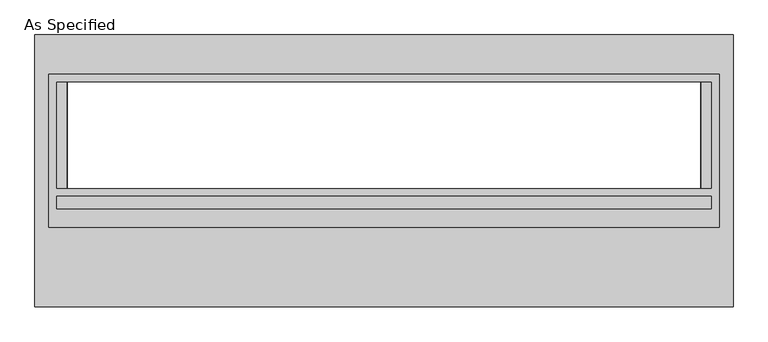
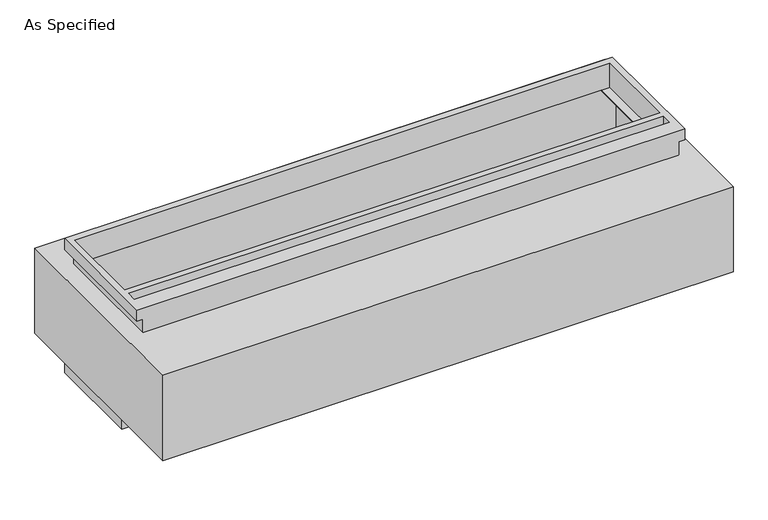
"""IFC4 building model written with IfcOpenShell, lengths in millimetres: proxy geometry, As Specified."""

from ifc_helpers import new_model, si_unit, frame, origin, place, context, project, spatial, polyline, circle_curve, faceted_brep, source, transform, mapped, element, save
from ifc_brep_helpers import plane_surface, revolved_surface, advanced_brep


def as_specified_7d12fedc(model_context):
    return source(origin(), model_context, "Body", "SolidModel", [
        faceted_brep([(1612.9, 464.2941406, -682.7242188), (1612.9, -119.9058594, -682.7242188), (-1612.9, -119.9058594, -682.7242188), (-1612.9, 464.2941406, -682.7242188), (1574.8, -83.3933594, -682.7242188), (1574.8, 424.6066406, -682.7242188), (-1574.8, 424.6066406, -682.7242188), (-1574.8, -83.3933594, -682.7242188), (-1577.975, -119.9058594, -530.3242188), (1577.975, -119.9058594, -530.3242188), (1577.975, 429.3691406, -530.3242188), (-1577.975, 429.3691406, -530.3242188), (1574.8, 424.6066406, -530.3242188), (1574.8, -83.3933594, -530.3242188), (-1574.8, -83.3933594, -530.3242188), (-1574.8, 424.6066406, -530.3242188), (-1612.9, 464.2941406, -612.8742188), (1612.9, 464.2941406, -612.8742188), (-1612.9, -119.9058594, -612.8742188), (1612.9, -119.9058594, -612.8742188), (1577.975, -119.9058594, -612.8742188), (-1577.975, -119.9058594, -612.8742188), (-1577.975, 429.3691406, -612.8742188), (1577.975, 429.3691406, -612.8742188)], [[[0, 1, 2, 3], [4, 5, 6, 7]], [[8, 9, 10, 11], [12, 13, 14, 15]], [[0, 3, 16, 17]], [[3, 2, 18, 16]], [[2, 1, 19, 20, 9, 8, 21, 18]], [[1, 0, 17, 19]], [[22, 23, 20, 19, 17, 16, 18, 21]], [[23, 10, 9, 20]], [[23, 22, 11, 10]], [[11, 22, 21, 8]], [[12, 5, 4, 13]], [[13, 4, 7, 14]], [[14, 7, 6, 15]], [[5, 12, 15, 6]]]),
        advanced_brep(
        [(1678.78125, 653.3058594, -530.3242188), (1678.78125, -653.3058594, -530.3242188), (-1678.78125, -653.3058594, -530.3242188), (-1678.78125, 653.3058594, -530.3242188), (1524.0, -83.3933594, -530.3242188), (1524.0, 424.6066406, -530.3242188), (-1524.0, 424.6066406, -530.3242188), (-1524.0, -83.3933594, -530.3242188), (1678.78125, 653.3058594, 0.0), (-1678.78125, 653.3058594, 0.0), (-1678.78125, -653.3058594, 0.0), (1678.78125, -653.3058594, 0.0), (1524.0, 424.6066406, 0.0), (1524.0, -83.3933594, 0.0), (-1524.0, -83.3933594, 0.0), (-1524.0, 424.6066406, 0.0), (1678.78125, -272.3058594, -430.3117188), (1678.78125, -294.5308594, -430.3117188), (1678.78125, -170.7058594, -430.3117188), (1678.78125, -192.9308594, -430.3117188), (1678.78125, -272.3058594, -100.1117188), (1678.78125, -294.5308594, -100.1117188), (1678.78125, -170.7058594, -100.1117188), (1678.78125, -192.9308594, -100.1117188), (-1612.9, 424.6066406, -527.05), (-1612.9, -83.3933594, -527.05), (-1524.0, -83.3933594, -527.05), (-1524.0, 424.6066406, -527.05), (1612.9, -83.3933594, -527.05), (1612.9, 424.6066406, -527.05), (1524.0, 424.6066406, -527.05), (1524.0, -83.3933594, -527.05), (1612.9, 424.6066406, -3.175), (1612.9, -83.3933594, -3.175), (1524.0, -83.3933594, -3.175), (1524.0, 424.6066406, -3.175), (-1612.9, -83.3933594, -3.175), (-1612.9, 424.6066406, -3.175), (-1524.0, 424.6066406, -3.175), (-1524.0, -83.3933594, -3.175), (1662.928271, -294.5308594, -430.3117188), (1662.928271, -272.3058594, -430.3117188), (1662.928271, -192.9308594, -430.3117188), (1662.928271, -170.7058594, -430.3117188), (1662.928271, -294.5308594, -100.1117188), (1662.928271, -272.3058594, -100.1117188), (1662.928271, -192.9308594, -100.1117188), (1662.928271, -170.7058594, -100.1117188)],
        [
            (0, 1),
            (1, 2),
            (2, 3),
            (3, 0),
            (4, 5),
            (5, 6),
            (6, 7),
            (7, 4),
            (8, 9),
            (9, 10),
            (10, 11),
            (11, 8),
            (12, 13),
            (13, 14),
            (14, 15),
            (15, 12),
            (3, 9),
            (8, 0),
            (2, 10),
            (1, 11),
            (16, 17, circle_curve(frame((1678.78125, -283.4183594, -430.3117188), z_axis=(-1.0, 0.0, 0.0), x_axis=(0.0, 1.0, 0.0)), 11.1125)),
            (17, 16, circle_curve(frame((1678.78125, -283.4183594, -430.3117188), z_axis=(-1.0, 0.0, 0.0), x_axis=(0.0, 1.0, 0.0)), 11.1125)),
            (18, 19, circle_curve(frame((1678.78125, -181.8183594, -430.3117188), z_axis=(-1.0, 0.0, 0.0), x_axis=(0.0, 1.0, 0.0)), 11.1125)),
            (19, 18, circle_curve(frame((1678.78125, -181.8183594, -430.3117188), z_axis=(-1.0, 0.0, 0.0), x_axis=(0.0, 1.0, 0.0)), 11.1125)),
            (20, 21, circle_curve(frame((1678.78125, -283.4183594, -100.1117188), z_axis=(-1.0, 0.0, 0.0), x_axis=(0.0, 1.0, 0.0)), 11.1125)),
            (21, 20, circle_curve(frame((1678.78125, -283.4183594, -100.1117188), z_axis=(-1.0, 0.0, 0.0), x_axis=(0.0, 1.0, 0.0)), 11.1125)),
            (22, 23, circle_curve(frame((1678.78125, -181.8183594, -100.1117188), z_axis=(-1.0, 0.0, 0.0), x_axis=(0.0, 1.0, 0.0)), 11.1125)),
            (23, 22, circle_curve(frame((1678.78125, -181.8183594, -100.1117188), z_axis=(-1.0, 0.0, 0.0), x_axis=(0.0, 1.0, 0.0)), 11.1125)),
            (24, 25),
            (25, 26),
            (26, 27),
            (27, 24),
            (28, 29),
            (29, 30),
            (30, 31),
            (31, 28),
            (32, 33),
            (33, 34),
            (34, 35),
            (35, 32),
            (36, 37),
            (37, 38),
            (38, 39),
            (39, 36),
            (28, 33),
            (32, 29),
            (31, 4),
            (7, 26),
            (25, 36),
            (39, 14),
            (13, 34),
            (24, 37),
            (35, 12),
            (15, 38),
            (27, 6),
            (5, 30),
            (40, 41, circle_curve(frame((1662.928271, -283.4183594, -430.3117188), z_axis=(1.0, 0.0, 0.0), x_axis=(0.0, 1.0, 0.0)), 11.1125)),
            (41, 40, circle_curve(frame((1662.928271, -283.4183594, -430.3117188), z_axis=(1.0, 0.0, 0.0), x_axis=(0.0, 1.0, 0.0)), 11.1125)),
            (42, 43, circle_curve(frame((1662.928271, -181.8183594, -430.3117188), z_axis=(1.0, 0.0, 0.0), x_axis=(0.0, 1.0, 0.0)), 11.1125)),
            (43, 42, circle_curve(frame((1662.928271, -181.8183594, -430.3117188), z_axis=(1.0, 0.0, 0.0), x_axis=(0.0, 1.0, 0.0)), 11.1125)),
            (44, 45, circle_curve(frame((1662.928271, -283.4183594, -100.1117188), z_axis=(1.0, 0.0, 0.0), x_axis=(0.0, 1.0, 0.0)), 11.1125)),
            (45, 44, circle_curve(frame((1662.928271, -283.4183594, -100.1117188), z_axis=(1.0, 0.0, 0.0), x_axis=(0.0, 1.0, 0.0)), 11.1125)),
            (46, 47, circle_curve(frame((1662.928271, -181.8183594, -100.1117188), z_axis=(1.0, 0.0, 0.0), x_axis=(0.0, 1.0, 0.0)), 11.1125)),
            (47, 46, circle_curve(frame((1662.928271, -181.8183594, -100.1117188), z_axis=(1.0, 0.0, 0.0), x_axis=(0.0, 1.0, 0.0)), 11.1125)),
            (40, 17),
            (16, 41),
            (42, 19),
            (18, 43),
            (44, 21),
            (20, 45),
            (46, 23),
            (22, 47),
        ],
        [
            plane_surface(frame((-1678.78125, 653.3058594, -530.3242188), z_axis=(0.0, 0.0, -1.0), x_axis=(1.0, 0.0, 0.0))),
            plane_surface(frame((-1678.78125, 653.3058594, 0.0), z_axis=(0.0, 0.0, 1.0), x_axis=(-1.0, 0.0, 0.0))),
            plane_surface(frame((1678.78125, 653.3058594, 0.0), z_axis=(0.0, 1.0, 0.0), x_axis=(0.0, 0.0, -1.0))),
            plane_surface(frame((-1678.78125, 653.3058594, 0.0), z_axis=(-1.0, 0.0, 0.0), x_axis=(0.0, 0.0, -1.0))),
            plane_surface(frame((-1678.78125, -653.3058594, 0.0), z_axis=(0.0, -1.0, 0.0), x_axis=(0.0, 0.0, -1.0))),
            plane_surface(frame((1678.78125, -653.3058594, 0.0), z_axis=(1.0, 0.0, 0.0), x_axis=(0.0, 0.0, -1.0))),
            plane_surface(frame((1612.9, 424.6066406, -527.05), z_axis=(0.0, 0.0, 1.0), x_axis=(0.0, -1.0, 0.0))),
            plane_surface(frame((1612.9, 424.6066406, -3.175), z_axis=(0.0, 0.0, -1.0), x_axis=(0.0, 1.0, 0.0))),
            plane_surface(frame((1612.9, 424.6066406, -527.05), z_axis=(-1.0, 0.0, 0.0), x_axis=(0.0, 0.0, 1.0))),
            plane_surface(frame((1612.9, -83.3933594, -527.05), z_axis=(0.0, 1.0, 0.0), x_axis=(0.0, 0.0, 1.0))),
            plane_surface(frame((-1612.9, -83.3933594, -527.05), z_axis=(1.0, 0.0, 0.0), x_axis=(0.0, 0.0, 1.0))),
            plane_surface(frame((-1612.9, 424.6066406, -527.05), z_axis=(0.0, -1.0, 0.0), x_axis=(0.0, 0.0, 1.0))),
            plane_surface(frame((1524.0, 424.6066406, -25.4), z_axis=(-1.0, 0.0, 0.0), x_axis=(0.0, 0.0, 1.0))),
            plane_surface(frame((-1524.0, -83.3933594, -25.4), z_axis=(1.0, 0.0, 0.0), x_axis=(0.0, 0.0, 1.0))),
            plane_surface(frame((1662.928271, -272.3058594, -430.3117188), z_axis=(1.0, 0.0, 0.0), x_axis=(0.0, 0.0, -1.0))),
            revolved_surface(polyline([(1678.78125, -272.3058594, -430.3117188), (1662.928271, -272.3058594, -430.3117188)]), (1662.928271, -283.4183594, -430.3117188), (1.0, 0.0, 0.0)),
            revolved_surface(polyline([(1678.78125, -170.70585939999998, -430.3117188), (1662.928271, -170.70585939999998, -430.3117188)]), (0.0, -181.8183594, -430.3117188), (1.0, 0.0, 0.0)),
            revolved_surface(polyline([(1678.78125, -272.3058594, -100.1117188), (1662.928271, -272.3058594, -100.1117188)]), (0.0, -283.4183594, -100.1117188), (1.0, 0.0, 0.0)),
            revolved_surface(polyline([(1678.78125, -170.70585939999998, -100.1117188), (1662.928271, -170.70585939999998, -100.1117188)]), (0.0, -181.8183594, -100.1117188), (1.0, 0.0, 0.0)),
            plane_surface(frame((1524.0, -83.3933594, -504.9242188), z_axis=(-1.0, 0.0, 0.0), x_axis=(0.0, 0.0, -1.0))),
            plane_surface(frame((-1524.0, 424.6066406, -504.9242188), z_axis=(1.0, 0.0, 0.0), x_axis=(0.0, 0.0, -1.0))),
        ],
        [
            (0, [[1, 2, 3, 4], [5, 6, 7, 8]]),
            (1, [[9, 10, 11, 12], [13, 14, 15, 16]]),
            (2, [[-4, 17, -9, 18]]),
            (3, [[-3, 19, -10, -17]]),
            (4, [[-2, 20, -11, -19]]),
            (5, [[-1, -18, -12, -20], [21, 22], [23, 24], [25, 26], [27, 28]]),
            (6, [[29, 30, 31, 32]]),
            (6, [[33, 34, 35, 36]]),
            (7, [[37, 38, 39, 40]]),
            (7, [[41, 42, 43, 44]]),
            (8, [[-33, 45, -37, 46]]),
            (9, [[-45, -36, 47, -8, 48, -30, 49, -44, 50, -14, 51, -38]]),
            (10, [[-29, 52, -41, -49]]),
            (11, [[-46, -40, 53, -16, 54, -42, -52, -32, 55, -6, 56, -34]]),
            (12, [[-53, -39, -51, -13]]),
            (13, [[-50, -43, -54, -15]]),
            (14, [[57, 58]]),
            (14, [[59, 60]]),
            (14, [[61, 62]]),
            (14, [[63, 64]]),
            (15, [[-57, 65, -21, 66]]),
            (15, [[-58, -66, -22, -65]]),
            (16, [[-59, 67, -23, 68]]),
            (16, [[-60, -68, -24, -67]]),
            (17, [[-61, 69, -25, 70]]),
            (17, [[-62, -70, -26, -69]]),
            (18, [[-63, 71, -27, 72]]),
            (18, [[-64, -72, -28, -71]]),
            (19, [[-47, -35, -56, -5]]),
            (20, [[-48, -7, -55, -31]]),
        ],
    ),
        faceted_brep([(1612.9, 464.2941406, 152.4), (-1612.9, 464.2941406, 152.4), (-1612.9, -272.3058594, 152.4), (1612.9, -272.3058594, 152.4), (1574.8, 424.6066406, 152.4), (1574.8, -83.3933594, 152.4), (-1574.8, -83.3933594, 152.4), (-1574.8, 424.6066406, 152.4), (1574.8, -121.4933594, 152.4), (1574.8, -181.8183594, 152.4), (-1574.8, -181.8183594, 152.4), (-1574.8, -121.4933594, 152.4), (1577.975, -272.3058594, 0.0), (-1577.975, -272.3058594, 0.0), (-1577.975, 429.3691406, 0.0), (1577.975, 429.3691406, 0.0), (1574.8, -83.3933594, 0.0), (1574.8, 424.6066406, 0.0), (-1574.8, 424.6066406, 0.0), (-1574.8, -83.3933594, 0.0), (1612.9, 464.2941406, 82.55), (-1612.9, 464.2941406, 82.55), (-1612.9, -272.3058594, 82.55), (-1577.975, -272.3058594, 82.55), (1577.975, -272.3058594, 82.55), (1612.9, -272.3058594, 82.55), (1577.975, 429.3691406, 82.55), (-1577.975, 429.3691406, 82.55), (1574.8, -121.4933594, 82.55), (-1574.8, -121.4933594, 82.55), (-1574.8, -181.8183594, 82.55), (1574.8, -181.8183594, 82.55)], [[[0, 1, 2, 3], [4, 5, 6, 7], [8, 9, 10, 11]], [[12, 13, 14, 15], [16, 17, 18, 19]], [[1, 0, 20, 21]], [[2, 1, 21, 22]], [[3, 2, 22, 23, 13, 12, 24, 25]], [[0, 3, 25, 20]], [[24, 26, 27, 23, 22, 21, 20, 25]], [[26, 24, 12, 15]], [[27, 26, 15, 14]], [[23, 27, 14, 13]], [[16, 5, 4, 17]], [[5, 16, 19, 6]], [[6, 19, 18, 7]], [[17, 4, 7, 18]], [[28, 29, 30, 31]], [[28, 31, 9, 8]], [[31, 30, 10, 9]], [[30, 29, 11, 10]], [[29, 28, 8, 11]]]),
    ])


if __name__ == "__main__":
    model = new_model("IFC4")
    model_context = context("Model", 3, world=origin())
    ifc_project = project(units=[si_unit("LENGTHUNIT", "METRE", prefix="MILLI")], contexts=[model_context])
    site = spatial("IfcSite", under=ifc_project)
    building = spatial("IfcBuilding", under=site)
    placement = place(None, origin())
    as_specified_shape = as_specified_7d12fedc(model_context)
    element("IfcBuildingElementProxy", 1, Name="As Specified", ObjectType="As Specified", at=placement, inside=building, context=model_context, shape_type="MappedRepresentation", body=[
        mapped(as_specified_shape, transform((0.0, 0.0, 0.0), x_axis=(1.0, 0.0, 0.0), y_axis=(0.0, 1.0, 0.0), z_axis=(0.0, 0.0, 1.0))),
    ])
    save(model, "model.ifc")
